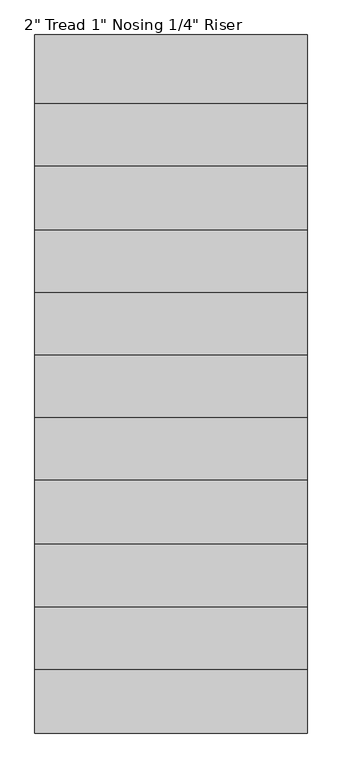
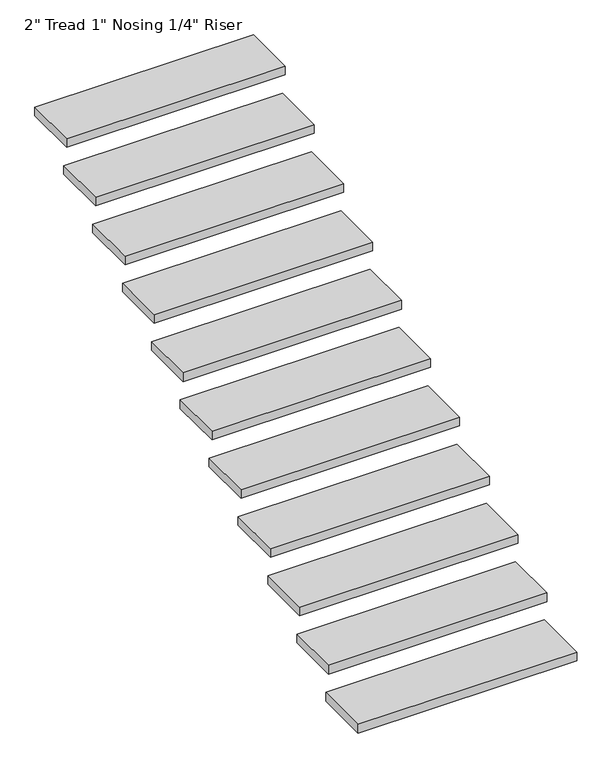
"""IFC4 building model written with IfcOpenShell, lengths in millimetres: stair flight geometry."""

from ifc_helpers import new_model, si_unit, frame, origin, place, context, project, spatial, polyline, outline, extrude, source, transform, mapped, element, save


def stair_flight_c8e08abd(model_context):
    return source(origin(), model_context, "Body", "SweptSolid", [
        extrude(outline(polyline([(-6923.7311058, 21936.9440539), (-5706.0969605, 21936.9440539), (-5706.0969605, 21625.7940539), (-6923.7311058, 21625.7940539), (-6923.7311058, 21936.9440539)])), frame((0.0, 0.0, -11128.962963), z_axis=(0.0, 0.0, 1.0), x_axis=(1.0, 0.0, 0.0)), (0.0, 0.0, 1.0), 50.8),
        extrude(outline(polyline([(-6923.7311058, 22216.3440539), (-5706.0969605, 22216.3440539), (-5706.0969605, 21911.5440539), (-6923.7311058, 21911.5440539), (-6923.7311058, 22216.3440539)])), frame((0.0, 0.0, -10954.9259259), z_axis=(0.0, 0.0, 1.0), x_axis=(1.0, 0.0, 0.0)), (0.0, 0.0, 1.0), 50.8),
        extrude(outline(polyline([(-6923.7311058, 22781.4940539), (-5706.0969605, 22781.4940539), (-5706.0969605, 22470.3440539), (-6923.7311058, 22470.3440539), (-6923.7311058, 22781.4940539)])), frame((0.0, 0.0, -10606.8518519), z_axis=(0.0, 0.0, 1.0), x_axis=(1.0, 0.0, 0.0)), (0.0, 0.0, 1.0), 50.8),
        extrude(outline(polyline([(-6923.7311058, 24184.8440539), (-5706.0969605, 24184.8440539), (-5706.0969605, 23873.6940539), (-6923.7311058, 23873.6940539), (-6923.7311058, 24184.8440539)])), frame((0.0, 0.0, -9736.6666667), z_axis=(0.0, 0.0, 1.0), x_axis=(1.0, 0.0, 0.0)), (0.0, 0.0, 1.0), 50.8),
        extrude(outline(polyline([(-6923.7311058, 22495.7440539), (-5706.0969605, 22495.7440539), (-5706.0969605, 22190.9440539), (-6923.7311058, 22190.9440539), (-6923.7311058, 22495.7440539)])), frame((0.0, 0.0, -10780.8888889), z_axis=(0.0, 0.0, 1.0), x_axis=(1.0, 0.0, 0.0)), (0.0, 0.0, 1.0), 50.8),
        extrude(outline(polyline([(-6923.7311058, 23060.8940539), (-5706.0969605, 23060.8940539), (-5706.0969605, 22756.0940539), (-6923.7311058, 22756.0940539), (-6923.7311058, 23060.8940539)])), frame((0.0, 0.0, -10432.8148148), z_axis=(0.0, 0.0, 1.0), x_axis=(1.0, 0.0, 0.0)), (0.0, 0.0, 1.0), 50.8),
        extrude(outline(polyline([(-6923.7311058, 23340.2940539), (-5706.0969605, 23340.2940539), (-5706.0969605, 23035.4940539), (-6923.7311058, 23035.4940539), (-6923.7311058, 23340.2940539)])), frame((0.0, 0.0, -10258.7777778), z_axis=(0.0, 0.0, 1.0), x_axis=(1.0, 0.0, 0.0)), (0.0, 0.0, 1.0), 50.8),
        extrude(outline(polyline([(-6923.7311058, 23619.6940539), (-5706.0969605, 23619.6940539), (-5706.0969605, 23314.8940539), (-6923.7311058, 23314.8940539), (-6923.7311058, 23619.6940539)])), frame((0.0, 0.0, -10084.7407407), z_axis=(0.0, 0.0, 1.0), x_axis=(1.0, 0.0, 0.0)), (0.0, 0.0, 1.0), 50.8),
        extrude(outline(polyline([(-6923.7311058, 23899.0940539), (-5706.0969605, 23899.0940539), (-5706.0969605, 23594.2940539), (-6923.7311058, 23594.2940539), (-6923.7311058, 23899.0940539)])), frame((0.0, 0.0, -9910.7037037), z_axis=(0.0, 0.0, 1.0), x_axis=(1.0, 0.0, 0.0)), (0.0, 0.0, 1.0), 50.8),
        extrude(outline(polyline([(-6923.7311058, 24464.2440539), (-5706.0969605, 24464.2440539), (-5706.0969605, 24159.4440539), (-6923.7311058, 24159.4440539), (-6923.7311058, 24464.2440539)])), frame((0.0, 0.0, -9562.6296296), z_axis=(0.0, 0.0, 1.0), x_axis=(1.0, 0.0, 0.0)), (0.0, 0.0, 1.0), 50.8),
        extrude(outline(polyline([(-6923.7311058, 24743.6440539), (-5706.0969605, 24743.6440539), (-5706.0969605, 24438.8440539), (-6923.7311058, 24438.8440539), (-6923.7311058, 24743.6440539)])), frame((0.0, 0.0, -9388.5925926), z_axis=(0.0, 0.0, 1.0), x_axis=(1.0, 0.0, 0.0)), (0.0, 0.0, 1.0), 50.8),
    ])


if __name__ == "__main__":
    model = new_model("IFC4")
    model_context = context("Model", 3, world=origin())
    ifc_project = project(units=[si_unit("LENGTHUNIT", "METRE", prefix="MILLI")], contexts=[model_context])
    site = spatial("IfcSite", under=ifc_project)
    building = spatial("IfcBuilding", under=site)
    placement = place(None, origin())
    stair_flight_shape = stair_flight_c8e08abd(model_context)
    element("IfcStairFlight", 1, ObjectType="2\" Tread 1\" Nosing 1/4\" Riser", at=placement, inside=building, context=model_context, shape_type="MappedRepresentation", body=[
        mapped(stair_flight_shape, transform((0.0, 0.0, 0.0), x_axis=(1.0, 0.0, 0.0), y_axis=(0.0, 1.0, 0.0), z_axis=(0.0, 0.0, 1.0))),
    ])
    save(model, "model.ifc")
